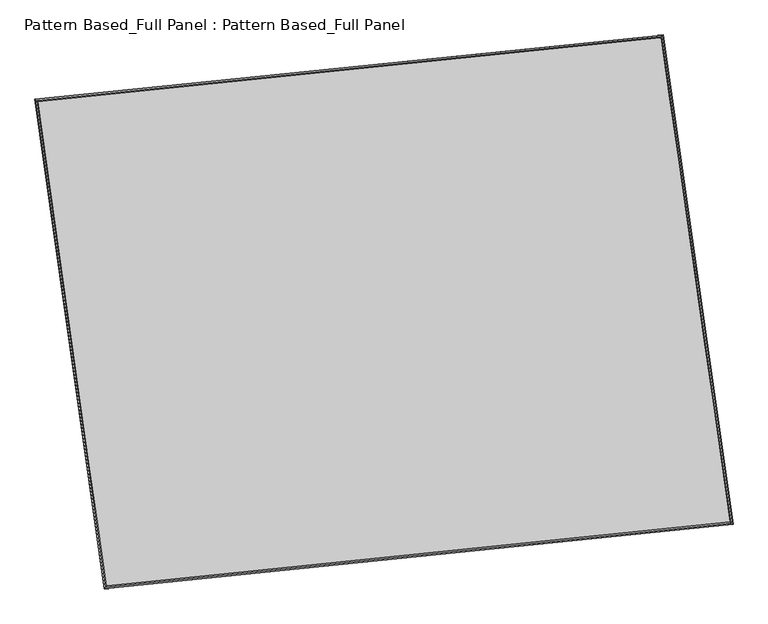
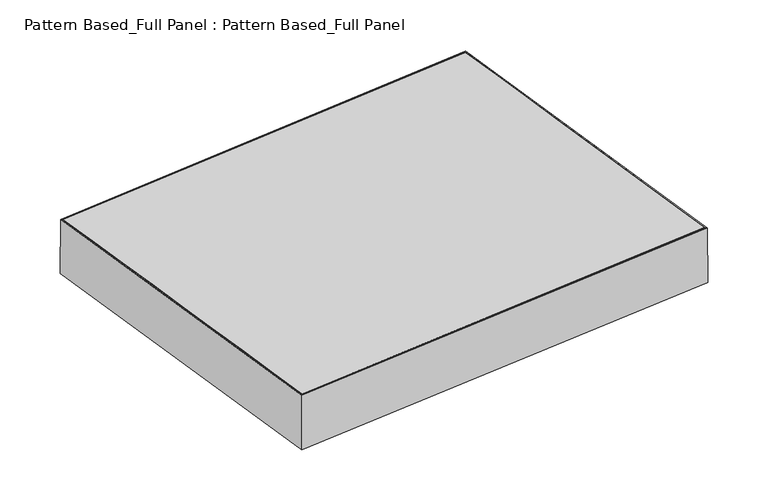
"""IFC4 building model written with IfcOpenShell, lengths in millimetres: plate geometry, Pattern Based_Full Panel : Pattern Based_Full Panel."""

from ifc_helpers import new_model, si_unit, frame, origin, place, context, project, spatial, faceted_brep, source, transform, mapped, element, save
from ifc_brep_helpers import plane_surface, spline_surface, advanced_brep


def pattern_based_full_panel_pattern_based_full_panel_2c2f1f04(model_context):
    return source(origin(), model_context, "Body", "SolidModel", [
        advanced_brep(
        [(3775.237946, 5056.7851628, -153.3038836), (5209.5811363, 5203.9939478, -151.4953799), (5209.5811973, 5203.9939583, -154.6703799), (3775.2380069, 5056.7851734, -156.4788836), (3930.8360423, 3957.423293, -151.5245006), (3930.8361032, 3957.4233035, -154.6995006), (5366.6219035, 4104.2833956, -153.2752539), (5366.6219644, 4104.2834061, -156.4502539)],
        [
            (0, 1),
            (1, 2),
            (2, 3),
            (3, 0),
            (4, 0),
            (3, 5),
            (5, 4),
            (6, 4),
            (5, 7),
            (7, 6),
            (1, 6),
            (7, 2),
        ],
        [
            plane_surface(frame((4492.4095412, 5130.3895553, -152.3996318), z_axis=(-0.10209520866814145, 0.9947746319469682, 1.335094036737449e-06), x_axis=(0.9947738496333913, 0.10209512669476543, 0.001254269007329903))),
            plane_surface(frame((3853.0369942, 4507.1042279, -152.4141921), z_axis=(-0.9901319419766531, -0.14013827849206303, -1.9463366513819863e-05), x_axis=(-0.14013806767732417, 0.9901306750658982, -0.001602585790014348))),
            plane_surface(frame((4648.7289729, 4030.8533443, -152.3998773), z_axis=(0.10175460781434303, -0.9948095294008543, -1.3417452717997446e-06), x_axis=(-0.9948087973224098, -0.10175453456940214, 0.0012130393666715334))),
            plane_surface(frame((5288.1015199, 4654.1386717, -152.3853169), z_axis=(0.989957151389794, 0.1413677404267106, 1.9464083840536742e-05), x_axis=(0.14136758986924783, -0.9899558764772304, -0.001602236798579884))),
            spline_surface(1, 1, [[(5366.6219644, 4104.2834061, -156.4502539), (5209.5811973, 5203.9939583, -154.6703799)], [(3930.8361032, 3957.4233035, -154.6995006), (3775.2380069, 5056.7851734, -156.4788836)]], [2, 2], [2, 2], [0.0, 1.0], [0.0, 1.0]),
            spline_surface(1, 1, [[(3775.237946, 5056.7851628, -153.3038836), (5209.5811363, 5203.9939478, -151.4953799)], [(3930.8360423, 3957.423293, -151.5245006), (5366.6219035, 4104.2833956, -153.2752539)]], [2, 2], [2, 2], [0.0, 1.0], [0.0, 1.0]),
        ],
        [
            (0, [[1, 2, 3, 4]]),
            (1, [[5, -4, 6, 7]]),
            (2, [[8, -7, 9, 10]]),
            (3, [[11, -10, 12, -2]]),
            (4, [[-12, -9, -6, -3]]),
            (5, [[-1, -5, -8, -11]]),
        ],
    ),
        advanced_brep(
        [(3732.1760049, 5090.9041961, -1.0163335), (5242.3265398, 5245.3743198, 1.0163341), (5242.3270283, 5245.3743893, -24.3836659), (3732.1764934, 5090.9042656, -26.4163335), (3898.4724127, 3915.8391701, 0.9858655), (3898.4729012, 3915.8392396, -24.4141345), (5410.1094457, 4070.4595964, -0.9858674), (5410.1099342, 4070.4596659, -26.3858674)],
        [
            (0, 1),
            (1, 2),
            (2, 3),
            (3, 0),
            (4, 0),
            (3, 5),
            (5, 4),
            (6, 4),
            (5, 7),
            (7, 6),
            (1, 6),
            (7, 2),
        ],
        [
            plane_surface(frame((4487.2512723, 5168.1392579, 3e-07), z_axis=(-0.10175695201070918, 0.9948092896213349, 7.653022700460262e-07), x_axis=(0.9948083978977644, 0.10175685976808033, 0.0013390153930313575))),
            plane_surface(frame((3815.3242088, 4503.3716831, -0.015234), z_axis=(-0.9901338507943365, -0.140124791288922, -1.9427166392325783e-05), x_axis=(-0.14012455944616592, 0.9901324464749917, -0.0016870914218711092))),
            plane_surface(frame((4654.2909292, 3993.1493832, -1e-06), z_axis=(0.10175581147276919, -0.9948094062839038, -7.653245045892258e-07), x_axis=(-0.9948085686727376, -0.10175572679451819, 0.0012975977106917467))),
            plane_surface(frame((5326.2179927, 4657.9169581, 0.0152334), z_axis=(0.9899568167946068, 0.14137008348471233, 1.9427169360782535e-05), x_axis=(0.14136991478659267, -0.9899554036410319, -0.00168700775139564))),
            spline_surface(1, 1, [[(5410.1099342, 4070.4596659, -26.3858674), (5242.3270283, 5245.3743893, -24.3836659)], [(3898.4729012, 3915.8392396, -24.4141345), (3732.1764934, 5090.9042656, -26.4163335)]], [2, 2], [2, 2], [0.0, 1.0], [0.0, 1.0]),
            spline_surface(1, 1, [[(3732.1760049, 5090.9041961, -1.0163335), (5242.3265398, 5245.3743198, 1.0163341)], [(3898.4724127, 3915.8391701, 0.9858655), (5410.1094457, 4070.4595964, -0.9858674)]], [2, 2], [2, 2], [0.0, 1.0], [0.0, 1.0]),
        ],
        [
            (0, [[1, 2, 3, 4]]),
            (1, [[5, -4, 6, 7]]),
            (2, [[8, -7, 9, 10]]),
            (3, [[11, -10, 12, -2]]),
            (4, [[-12, -9, -6, -3]]),
            (5, [[-1, -5, -8, -11]]),
        ],
    ),
        faceted_brep([(5245.5557305, 5252.0826677, 1.0326601), (5245.6718822, 5252.3108578, -202.1672242), (3724.6515883, 5096.7292043, -204.2361131), (3724.9691808, 5096.545381, -1.0356388), (5242.843902, 5248.6137164, 1.0251697), (3728.5752867, 5093.7226766, -1.0345355), (5242.8620507, 5248.6493711, -30.7248122), (3728.5256629, 5093.751399, -32.7846096), (5207.6082799, 5203.553004, -30.8221869), (3775.40504, 5057.0562419, -32.770267), (5207.7062829, 5203.7455393, -202.2720893), (3775.1370713, 5057.2113428, -204.2206672), (3892.8089145, 3908.5147638, -202.1945789), (3893.0451693, 3908.9056804, 1.0049079), (3895.7608191, 3912.3750169, 0.9952004), (3895.7239043, 3912.3139362, -30.7547194), (3931.0273522, 3957.4153118, -30.8809157), (3930.8280123, 3957.0854759, -202.3304827), (5417.821033, 4064.5035994, -204.2053625), (5417.324179, 4064.8195286, -1.0049091), (5413.7139422, 4067.6418095, -1.0062756), (5413.7915756, 4067.5924456, -32.7563464), (5366.8584975, 4104.2820978, -32.7741109), (5367.2777181, 4104.0155326, -204.2244935), (5248.1182245, 5252.8626102, -202.1633162), (5247.745874, 5252.3066925, 1.0356391), (5245.0340511, 5248.8377502, 1.0234619), (5245.0922309, 5248.9246123, -30.7263748), (5209.8385334, 5203.8283628, -30.8846782), (5210.1527042, 5204.2974183, -202.3337967), (5247.862026, 5252.534883, -202.1644666)], [[[0, 1, 2, 3]], [[4, 0, 3, 5]], [[6, 4, 5, 7]], [[8, 6, 7, 9]], [[10, 8, 9, 11]], [[1, 10, 11, 2]], [[3, 2, 12, 13]], [[5, 3, 13, 14]], [[7, 5, 14, 15]], [[9, 7, 15, 16]], [[11, 9, 16, 17]], [[2, 11, 17, 12]], [[13, 12, 18, 19]], [[14, 13, 19, 20]], [[15, 14, 20, 21]], [[16, 15, 21, 22]], [[17, 16, 22, 23]], [[12, 17, 23, 18]], [[19, 18, 24, 25]], [[20, 19, 25, 26]], [[21, 20, 26, 27]], [[22, 21, 27, 28]], [[23, 22, 28, 29]], [[18, 23, 29, 30, 24]], [[1, 0, 4, 6, 8, 10]], [[24, 30, 29, 28, 27, 26, 25]]]),
        advanced_brep(
        [(5242.3265398, 5245.3743198, 1.0163341), (3732.1760049, 5090.9041961, -1.0163335), (3732.1759896, 5090.904194, -0.2225835), (5242.3265245, 5245.3743176, 1.8100841), (3898.4724127, 3915.8391701, 0.9858655), (3898.4723974, 3915.8391679, 1.7796155), (5410.1094457, 4070.4595964, -0.9858674), (5410.1094304, 4070.4595942, -0.1921174)],
        [
            (0, 1),
            (1, 2),
            (2, 3),
            (3, 0),
            (1, 4),
            (4, 5),
            (5, 2),
            (4, 6),
            (6, 7),
            (7, 5),
            (6, 0),
            (3, 7),
        ],
        [
            plane_surface(frame((4487.2512723, 5168.1392579, 3e-07), z_axis=(-0.101756952010709, 0.994809289621335, 7.653021276286169e-07), x_axis=(-0.9948083978977644, -0.10175685976808033, -0.0013390153930313575))),
            plane_surface(frame((3815.3242088, 4503.3716831, -0.015234), z_axis=(-0.9901338507943364, -0.14012479128892225, -1.9427166528119828e-05), x_axis=(0.14012455944616592, -0.9901324464749917, 0.0016870914218711092))),
            plane_surface(frame((4654.2909292, 3993.1493832, -1e-06), z_axis=(0.10175581147276934, -0.9948094062839038, -7.653243833776727e-07), x_axis=(0.9948085686727376, 0.10175572679451819, -0.0012975977106917467))),
            plane_surface(frame((5326.2179927, 4657.9169581, 0.0152334), z_axis=(0.9899568167946067, 0.1413700834847133, 1.9427168800071443e-05), x_axis=(-0.14136991478659267, 0.9899554036410319, 0.00168700775139564))),
            spline_surface(1, 1, [[(3732.1759896, 5090.904194, -0.2225835), (5242.3265245, 5245.3743176, 1.8100841)], [(3898.4723974, 3915.8391679, 1.7796155), (5410.1094304, 4070.4595942, -0.1921174)]], [2, 2], [2, 2], [0.0, 1.0], [0.0, 1.0]),
            spline_surface(1, 1, [[(5410.1094457, 4070.4595964, -0.9858674), (5242.3265398, 5245.3743198, 1.0163341)], [(3898.4724127, 3915.8391701, 0.9858655), (3732.1760049, 5090.9041961, -1.0163335)]], [2, 2], [2, 2], [0.0, 1.0], [0.0, 1.0]),
        ],
        [
            (0, [[1, 2, 3, 4]]),
            (1, [[5, 6, 7, -2]]),
            (2, [[8, 9, 10, -6]]),
            (3, [[11, -4, 12, -9]]),
            (4, [[-3, -7, -10, -12]]),
            (5, [[-11, -8, -5, -1]]),
        ],
    ),
    ])


if __name__ == "__main__":
    model = new_model("IFC4")
    model_context = context("Model", 3, world=origin())
    ifc_project = project(units=[si_unit("LENGTHUNIT", "METRE", prefix="MILLI")], contexts=[model_context])
    site = spatial("IfcSite", under=ifc_project)
    building = spatial("IfcBuilding", under=site)
    placement = place(None, origin())
    pattern_based_full_panel_pattern_based_full_panel_shape = pattern_based_full_panel_pattern_based_full_panel_2c2f1f04(model_context)
    element("IfcPlate", 1, ObjectType="Pattern Based_Full Panel : Pattern Based_Full Panel", at=placement, inside=building, context=model_context, shape_type="MappedRepresentation", body=[
        mapped(pattern_based_full_panel_pattern_based_full_panel_shape, transform((0.0, 0.0, 0.0), x_axis=(1.0, 0.0, 0.0), y_axis=(0.0, 1.0, 0.0), z_axis=(0.0, 0.0, 1.0))),
    ])
    save(model, "model.ifc")
